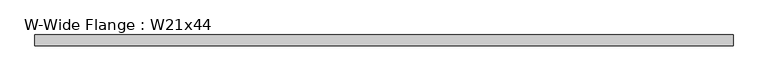
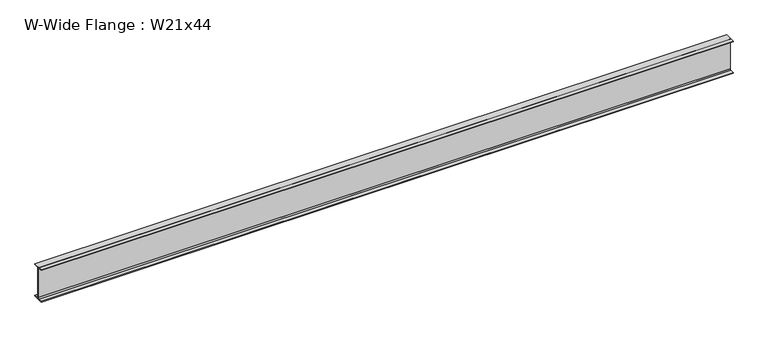
"""IFC4 building model written with IfcOpenShell, lengths in millimetres: beam geometry, W-Wide Flange : W21x44."""

from ifc_helpers import new_model, si_unit, point, frame, frame_2d, origin, place, context, project, spatial, polyline, circle_curve, trimmed, segment, composite_curve, outline, extrude, source, transform, mapped, element, save


def w_wide_flange_w21x44_bd135a35(model_context):
    return source(origin(), model_context, "Body", "SweptSolid", [
        extrude(outline(composite_curve([segment(polyline([(82.55, -251.46), (82.55, -262.89), (-82.55, -262.89), (-82.55, -251.46), (-21.59, -251.46)]), True, "CONTINUOUS"), segment(trimmed(circle_curve(frame_2d((-21.59, -234.315)), 17.145), [point((-21.59, -251.46))], [point((-4.445, -234.315))], True, "CARTESIAN"), True, "CONTINUOUS"), segment(polyline([(-4.445, -234.315), (-4.445, 234.315)]), True, "CONTINUOUS"), segment(trimmed(circle_curve(frame_2d((-21.59, 234.315)), 17.145), [point((-4.445, 234.315))], [point((-21.59, 251.46))], True, "CARTESIAN"), True, "CONTINUOUS"), segment(polyline([(-21.59, 251.46), (-82.55, 251.46), (-82.55, 262.89), (82.55, 262.89), (82.55, 251.46), (21.59, 251.46)]), True, "CONTINUOUS"), segment(trimmed(circle_curve(frame_2d((21.59, 234.315)), 17.145), [point((21.59, 251.46))], [point((4.445, 234.315))], True, "CARTESIAN"), True, "CONTINUOUS"), segment(polyline([(4.445, 234.315), (4.445, -234.315)]), True, "CONTINUOUS"), segment(trimmed(circle_curve(frame_2d((21.59, -234.315)), 17.145), [point((4.445, -234.315))], [point((21.59, -251.46))], True, "CARTESIAN"), True, "CONTINUOUS"), segment(polyline([(21.59, -251.46), (82.55, -251.46)]), True, "CONTINUOUS")], self_intersect=False)), frame((-5320.03, 0.0, 0.0), z_axis=(1.0, 0.0, 0.0), x_axis=(0.0, 1.0, 0.0)), (0.0, 0.0, 1.0), 10640.06),
    ])


if __name__ == "__main__":
    model = new_model("IFC4")
    model_context = context("Model", 3, world=origin())
    ifc_project = project(units=[si_unit("LENGTHUNIT", "METRE", prefix="MILLI")], contexts=[model_context])
    site = spatial("IfcSite", under=ifc_project)
    building = spatial("IfcBuilding", under=site)
    placement = place(None, origin())
    w_wide_flange_w21x44_shape = w_wide_flange_w21x44_bd135a35(model_context)
    element("IfcBeam", 1, ObjectType="W-Wide Flange : W21x44", at=placement, inside=building, context=model_context, shape_type="MappedRepresentation", body=[
        mapped(w_wide_flange_w21x44_shape, transform((0.0, 0.0, 0.0), x_axis=(1.0, 0.0, 0.0), y_axis=(0.0, 1.0, 0.0), z_axis=(0.0, 0.0, 1.0))),
    ])
    save(model, "model.ifc")
